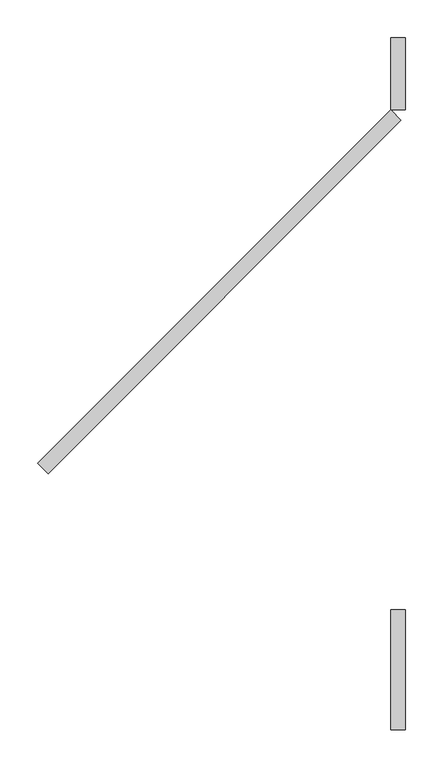
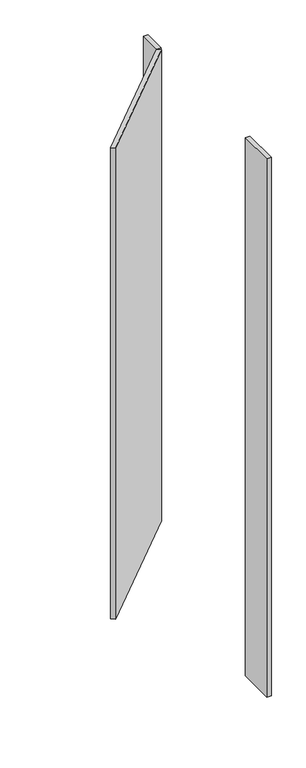
"""IFC4 building model written with IfcOpenShell, lengths in millimetres: proxy geometry."""

import ifcopenshell
import ifcopenshell.guid

model = None  # the IFC model being written
_history = None  # IfcOwnerHistory: only IFC2X3 demands one
_inside = {}  # id of a spatial element -> (the spatial element, [elements in it])
_under = {}  # id of a project, library or spatial element -> (it, [spatial elements below it])
_declared = {}  # id of a project -> (the project, [libraries it declares])
_typed = {}  # id of a type object -> (the type object, [elements of that type])
_made_of = {}  # id of a material, layer set ... -> (it, [elements and type objects made of it])


def new_model(schema):
    """Start an empty IFC model of exactly this schema.

    Asked for "IFC4X3", IfcOpenShell would pick the latest addendum, in which some entities
    have other attributes; the version numbers below select the first issue.
    IFC2X3 requires an IfcOwnerHistory on every rooted entity: one is made here for all.
    """
    global model, _history
    if schema == "IFC4X3":
        model = ifcopenshell.file(schema_version=(4, 3, 0, 0))
    else:
        model = ifcopenshell.file(schema=schema)
    _inside.clear()
    _under.clear()
    _declared.clear()
    _typed.clear()
    _made_of.clear()
    _history = None
    if model.schema == "IFC2X3":
        org = make("IfcOrganization", Name="unknown")
        user = make(
            "IfcPersonAndOrganization",
            ThePerson=make("IfcPerson", FamilyName="unknown"),
            TheOrganization=org,
        )
        app = make(
            "IfcApplication",
            ApplicationDeveloper=org,
            Version="unknown",
            ApplicationFullName="unknown",
            ApplicationIdentifier="unknown",
        )
        _history = make(
            "IfcOwnerHistory",
            OwningUser=user,
            OwningApplication=app,
            ChangeAction="ADDED",
            CreationDate=0,
        )
    return model


def make(cls, **values):
    """One entity of the class cls with the attributes given. An attribute that is None is left unset."""
    return model.create_entity(
        cls, **{name: value for name, value in values.items() if value is not None}
    )


def rooted(cls, **values):
    """An entity with a GlobalId (a new one), such as an element, a storey or a relation."""
    return make(cls, GlobalId=ifcopenshell.guid.new(), OwnerHistory=_history, **values)


def si_unit(unit_type, name, prefix=None):
    """IfcSIUnit, for example si_unit("LENGTHUNIT", "METRE", prefix="MILLI")."""
    return make("IfcSIUnit", UnitType=unit_type, Prefix=prefix, Name=name)


def assignment(units):
    """IfcUnitAssignment: the units of a project."""
    return None if units is None else make("IfcUnitAssignment", Units=units)


def point(xyz):
    """IfcCartesianPoint."""
    return None if xyz is None else make("IfcCartesianPoint", Coordinates=xyz)


def direction(xyz):
    """IfcDirection."""
    return None if xyz is None else make("IfcDirection", DirectionRatios=xyz)


def frame(location, z_axis=None, x_axis=None):
    """IfcAxis2Placement3D, a coordinate frame: its origin and axes. An axis left out is left unset."""
    return make(
        "IfcAxis2Placement3D",
        Location=point(location),
        Axis=direction(z_axis),
        RefDirection=direction(x_axis),
    )


def origin():
    """The frame at (0, 0, 0) with its axes left unset."""
    return frame((0.0, 0.0, 0.0))


def origin_with_axes():
    """The frame at (0, 0, 0) with the z axis (0, 0, 1) and the x axis (1, 0, 0) written out."""
    return frame((0.0, 0.0, 0.0), z_axis=(0.0, 0.0, 1.0), x_axis=(1.0, 0.0, 0.0))


def place(relative_to, where):
    """IfcLocalPlacement: puts the frame where relative to a parent placement (None: the world)."""
    return make(
        "IfcLocalPlacement", PlacementRelTo=relative_to, RelativePlacement=where
    )


def context(
    kind, dimensions, precision=None, world=None, true_north=None, identifier=None
):
    """IfcGeometricRepresentationContext, for example the 3D "Model" context."""
    return make(
        "IfcGeometricRepresentationContext",
        ContextIdentifier=identifier,
        ContextType=kind,
        CoordinateSpaceDimension=dimensions,
        Precision=precision,
        WorldCoordinateSystem=world,
        TrueNorth=true_north,
    )


def project(units=None, contexts=None):
    """IfcProject with its units and contexts."""
    return rooted(
        "IfcProject",
        Name="project",
        RepresentationContexts=contexts,
        UnitsInContext=assignment(units),
    )


def spatial(cls, under=None, at=None, **own):
    """A site, building, storey or space (cls), placed at a placement, below another one or the project."""
    s = rooted(cls, ObjectPlacement=at, **own)
    if under is not None:
        _under.setdefault(under.id(), (under, []))[1].append(s)
    return s


def polyline(points):
    """IfcPolyline through the points."""
    return make("IfcPolyline", Points=[point(p) for p in points])


def outline(outer, holes=None, kind="AREA"):
    """IfcArbitraryClosedProfileDef: a profile drawn as a closed curve; with holes, ...WithVoids."""
    if holes is None:
        return make("IfcArbitraryClosedProfileDef", ProfileType=kind, OuterCurve=outer)
    return make(
        "IfcArbitraryProfileDefWithVoids",
        ProfileType=kind,
        OuterCurve=outer,
        InnerCurves=holes,
    )


def extrude(swept, where, along, depth):
    """IfcExtrudedAreaSolid: the profile swept, set in the frame where, extruded along a direction by depth."""
    return make(
        "IfcExtrudedAreaSolid",
        SweptArea=swept,
        Position=where,
        ExtrudedDirection=direction(along),
        Depth=depth,
    )


def shape(context_of_items, identifier, shape_type, items):
    """IfcShapeRepresentation: the items that make up one representation, for example the "Body"."""
    return make(
        "IfcShapeRepresentation",
        ContextOfItems=context_of_items,
        RepresentationIdentifier=identifier,
        RepresentationType=shape_type,
        Items=items,
    )


def source(mapping_origin, context_of_items, identifier, shape_type, items):
    """IfcRepresentationMap: a shape defined once, which mapped items show again and again."""
    return make(
        "IfcRepresentationMap",
        MappingOrigin=mapping_origin,
        MappedRepresentation=shape(context_of_items, identifier, shape_type, items),
    )


def transform(
    local_origin,
    x_axis=None,
    y_axis=None,
    z_axis=None,
    scale=None,
    scale2=None,
    scale3=None,
    uniform=True,
):
    """IfcCartesianTransformationOperator3D, or its non-uniform kind. x_axis, y_axis, z_axis: its Axis1, 2, 3."""
    if uniform:
        return make(
            "IfcCartesianTransformationOperator3D",
            Axis1=direction(x_axis),
            Axis2=direction(y_axis),
            LocalOrigin=point(local_origin),
            Scale=scale,
            Axis3=direction(z_axis),
        )
    return make(
        "IfcCartesianTransformationOperator3DnonUniform",
        Axis1=direction(x_axis),
        Axis2=direction(y_axis),
        LocalOrigin=point(local_origin),
        Scale=scale,
        Axis3=direction(z_axis),
        Scale2=scale2,
        Scale3=scale3,
    )


def mapped(mapping_source, mapping_target):
    """IfcMappedItem: shows the shape of a source again, moved by a transform."""
    return make(
        "IfcMappedItem", MappingSource=mapping_source, MappingTarget=mapping_target
    )


def made_of(thing, what):
    """Note that an element or type object is made of a material, layer set ...; save() writes the relation."""
    if what is not None:
        _made_of.setdefault(what.id(), (what, []))[1].append(thing)
    return thing


def element(
    cls,
    number,
    at=None,
    inside=None,
    cuts=None,
    type_object=None,
    material=None,
    context=None,
    identifier="Body",
    shape_type=None,
    held_by="IfcProductDefinitionShape",
    body=None,
    shapes=None,
    **own,
):
    """One element of the class cls, such as IfcWall. Its Tag is "e" and its number.

    at: its placement. inside: the storey or other place that contains it. cuts: it is an
    opening in that element (IfcRelVoidsElement). A single representation is given by context,
    identifier, shape_type and body (its items); several are given by shapes. held_by: the class
    of the entity that holds the representations. save() writes the other relations.
    """
    e = rooted(cls, Tag="e%d" % number, ObjectPlacement=at, **own)
    if body is not None:
        shapes = [shape(context, identifier, shape_type, body)]
    if shapes is not None:
        e.Representation = make(held_by, Representations=shapes)
    if inside is not None:
        _inside.setdefault(inside.id(), (inside, []))[1].append(e)
    if cuts is not None:
        rooted(
            "IfcRelVoidsElement", RelatingBuildingElement=cuts, RelatedOpeningElement=e
        )
    if type_object is not None:
        _typed.setdefault(type_object.id(), (type_object, []))[1].append(e)
    return made_of(e, material)


def aggregate(whole, parts):
    """IfcRelAggregates: a whole, such as a stair, and the parts it consists of."""
    return rooted("IfcRelAggregates", RelatingObject=whole, RelatedObjects=parts)


def save(model, path):
    """Write the relations noted so far, then the file.

    IfcRelAggregates (storeys below a building ...), IfcRelContainedInSpatialStructure (elements
    in a storey), IfcRelDefinesByType, IfcRelAssociatesMaterial and IfcRelDeclares: one each for
    every whole, place, type object, material and project.
    """
    for whole, parts in _under.values():
        aggregate(whole, parts)
    for where, things in _inside.values():
        rooted(
            "IfcRelContainedInSpatialStructure",
            RelatedElements=things,
            RelatingStructure=where,
        )
    for kind, things in _typed.values():
        rooted("IfcRelDefinesByType", RelatedObjects=things, RelatingType=kind)
    for what, things in _made_of.values():
        rooted("IfcRelAssociatesMaterial", RelatedObjects=things, RelatingMaterial=what)
    for by, libraries in _declared.values():
        rooted("IfcRelDeclares", RelatingContext=by, RelatedDefinitions=libraries)
    model.write(path)


def generic_models_351f6a7c(model_context):
    return source(origin(), model_context, "Body", "SweptSolid", [
        extrude(outline(polyline([(765.6970659, -575.6937025), (752.2266817, -562.2233183), (1219.2, -95.25), (1232.6703842, -108.7203842), (765.6970659, -575.6937025)])), frame((0.0, 0.0, 304.8), z_axis=(0.0, 0.0, 1.0), x_axis=(1.0, 0.0, 0.0)), (0.0, 0.0, 1.0), 2133.6),
        extrude(outline(polyline([(1219.2, -95.25), (1219.2, 0.0), (1238.25, 0.0), (1238.25, -95.25), (1219.2, -95.25)])), frame((0.0, 0.0, 304.8), z_axis=(0.0, 0.0, 1.0), x_axis=(1.0, 0.0, 0.0)), (0.0, 0.0, 1.0), 2133.6),
        extrude(outline(polyline([(1219.2, -914.4), (1219.2, -755.65), (1238.25, -755.65), (1238.25, -914.4), (1219.2, -914.4)])), origin_with_axes(), (0.0, 0.0, 1.0), 2438.4),
    ])


if __name__ == "__main__":
    model = new_model("IFC4")
    model_context = context("Model", 3, world=origin())
    ifc_project = project(units=[si_unit("LENGTHUNIT", "METRE", prefix="MILLI")], contexts=[model_context])
    site = spatial("IfcSite", under=ifc_project)
    building = spatial("IfcBuilding", under=site)
    placement = place(None, origin())
    generic_models_shape = generic_models_351f6a7c(model_context)
    element("IfcBuildingElementProxy", 1, Name="Generic Models", at=placement, inside=building, context=model_context, shape_type="MappedRepresentation", body=[
        mapped(generic_models_shape, transform((0.0, 0.0, 0.0), x_axis=(1.0, 0.0, 0.0), y_axis=(0.0, 1.0, 0.0), z_axis=(0.0, 0.0, 1.0))),
    ])
    save(model, "model.ifc")
